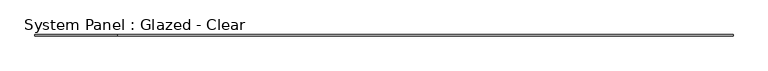
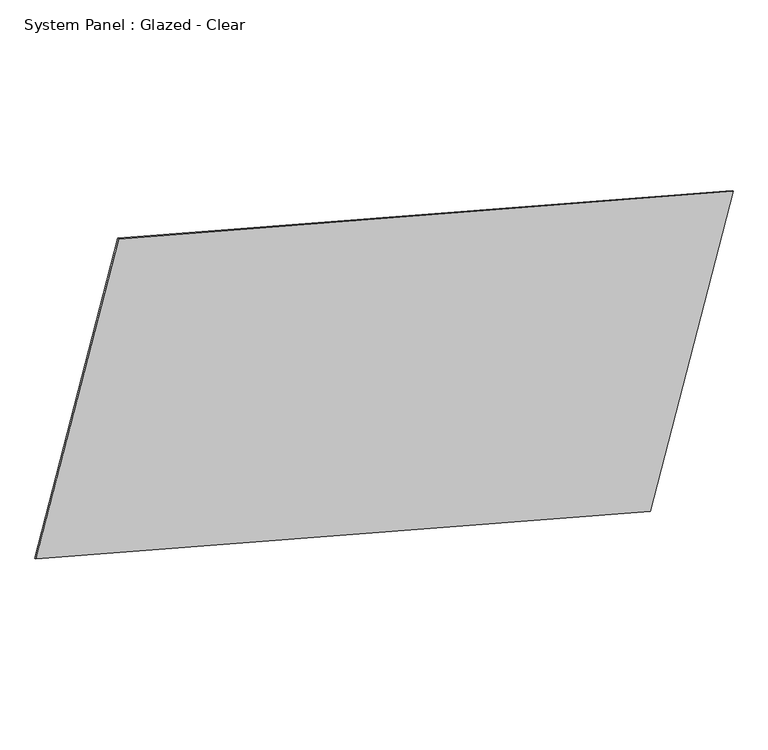
"""IFC4 building model written with IfcOpenShell, lengths in millimetres: plate geometry, System Panel : Glazed - Clear."""

from ifc_helpers import new_model, si_unit, frame, origin, place, context, project, spatial, polyline, outline, extrude, source, transform, mapped, element, save


def system_panel_glazed_clear_70cb223e(model_context):
    return source(origin(), model_context, "Body", "SweptSolid", [
        extrude(outline(polyline([(0.0, -12103.978899), (0.0, 0.0), (25.4, 0.0), (25.4, -12103.978899), (0.0, -12103.978899)])), frame((-6634.6533592, 19.05, 3132.7402606), z_axis=(0.25881904510252096, 0.0, 0.9659258262890683), x_axis=(0.0, 1.0, 0.0)), (0.0, 0.0, 1.0), 6096.0),
    ])


if __name__ == "__main__":
    model = new_model("IFC4")
    model_context = context("Model", 3, world=origin())
    ifc_project = project(units=[si_unit("LENGTHUNIT", "METRE", prefix="MILLI")], contexts=[model_context])
    site = spatial("IfcSite", under=ifc_project)
    building = spatial("IfcBuilding", under=site)
    placement = place(None, origin())
    system_panel_glazed_clear_shape = system_panel_glazed_clear_70cb223e(model_context)
    element("IfcPlate", 1, ObjectType="System Panel : Glazed - Clear", at=placement, inside=building, context=model_context, shape_type="MappedRepresentation", body=[
        mapped(system_panel_glazed_clear_shape, transform((0.0, 0.0, 0.0), x_axis=(1.0, 0.0, 0.0), y_axis=(0.0, 1.0, 0.0), z_axis=(0.0, 0.0, 1.0))),
    ])
    save(model, "model.ifc")
